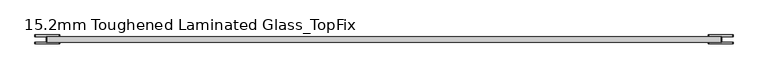
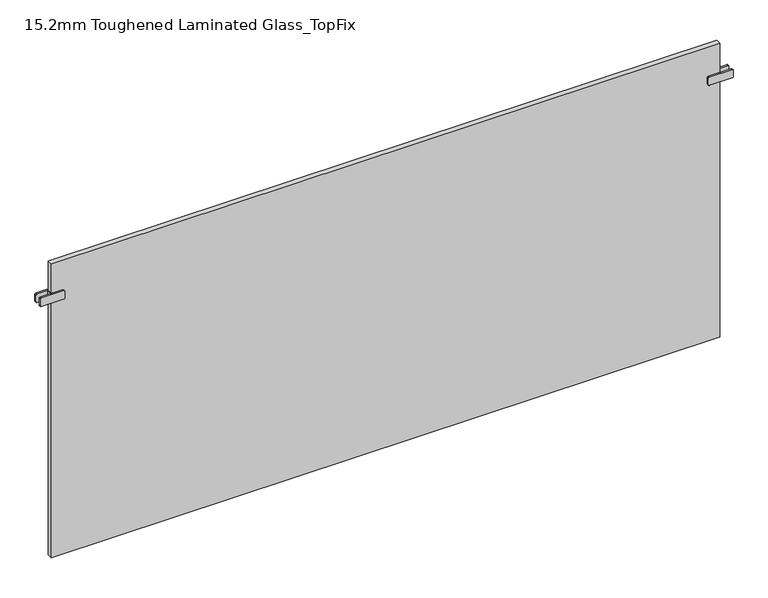
"""IFC4 building model written with IfcOpenShell, lengths in millimetres: plate geometry, 15.2mm Toughened Laminated Glass_TopFix."""

from ifc_helpers import new_model, si_unit, point, frame, frame_2d, origin, origin_with_axes, place, context, project, spatial, polyline, circle_curve, trimmed, segment, composite_curve, outline, extrude, source, transform, mapped, element, save


def plate_15_2mm_toughened_laminated_glass_topfix_d5ee4749(model_context):
    return source(origin(), model_context, "Body", "SweptSolid", [
        extrude(outline(polyline([(-947.5000001, -7.6), (-947.5000001, 7.6), (-942.5000001, 7.6), (-942.5000001, -7.6), (-947.5000001, -7.6)])), frame((0.0, 0.0, 766.5), z_axis=(0.0, 0.0, 1.0), x_axis=(1.0, 0.0, 0.0)), (0.0, 0.0, 1.0), 25.0),
        extrude(outline(composite_curve([segment(trimmed(circle_curve(frame_2d((769.5, -913.0000001)), 3.0), [point((766.5, -913.0000001))], [point((769.5, -910.0000001))], False, "CARTESIAN"), True, "CONTINUOUS"), segment(polyline([(769.5, -910.0000001), (788.5, -910.0000001)]), True, "CONTINUOUS"), segment(trimmed(circle_curve(frame_2d((788.5, -913.0000001)), 3.0), [point((788.5, -910.0000001))], [point((791.5, -913.0000001))], False, "CARTESIAN"), True, "CONTINUOUS"), segment(polyline([(791.5, -913.0000001), (791.5, -977.0000001)]), True, "CONTINUOUS"), segment(trimmed(circle_curve(frame_2d((788.5, -977.0000001)), 3.0), [point((791.5, -977.0000001))], [point((788.5, -980.0000001))], False, "CARTESIAN"), True, "CONTINUOUS"), segment(polyline([(788.5, -980.0000001), (769.5, -980.0000001)]), True, "CONTINUOUS"), segment(trimmed(circle_curve(frame_2d((769.5, -977.0000001)), 3.0), [point((769.5, -980.0000001))], [point((766.5, -977.0000001))], False, "CARTESIAN"), True, "CONTINUOUS"), segment(polyline([(766.5, -977.0000001), (766.5, -913.0000001)]), True, "CONTINUOUS")], self_intersect=False)), frame((0.0, 7.6, 0.0), z_axis=(0.0, 1.0, 0.0), x_axis=(0.0, 0.0, 1.0)), (0.0, 0.0, 1.0), 5.0),
        extrude(outline(composite_curve([segment(trimmed(circle_curve(frame_2d((769.5, -913.0000001)), 3.0), [point((766.5, -913.0000001))], [point((769.5, -910.0000001))], False, "CARTESIAN"), True, "CONTINUOUS"), segment(polyline([(769.5, -910.0000001), (788.5, -910.0000001)]), True, "CONTINUOUS"), segment(trimmed(circle_curve(frame_2d((788.5, -913.0000001)), 3.0), [point((788.5, -910.0000001))], [point((791.5, -913.0000001))], False, "CARTESIAN"), True, "CONTINUOUS"), segment(polyline([(791.5, -913.0000001), (791.5, -977.0000001)]), True, "CONTINUOUS"), segment(trimmed(circle_curve(frame_2d((788.5, -977.0000001)), 3.0), [point((791.5, -977.0000001))], [point((788.5, -980.0000001))], False, "CARTESIAN"), True, "CONTINUOUS"), segment(polyline([(788.5, -980.0000001), (769.5, -980.0000001)]), True, "CONTINUOUS"), segment(trimmed(circle_curve(frame_2d((769.5, -977.0000001)), 3.0), [point((769.5, -980.0000001))], [point((766.5, -977.0000001))], False, "CARTESIAN"), True, "CONTINUOUS"), segment(polyline([(766.5, -977.0000001), (766.5, -913.0000001)]), True, "CONTINUOUS")], self_intersect=False)), frame((0.0, -12.6, 0.0), z_axis=(0.0, 1.0, 0.0), x_axis=(0.0, 0.0, 1.0)), (0.0, 0.0, 1.0), 5.0),
        extrude(outline(polyline([(947.5000001, -7.6), (942.5000001, -7.6), (942.5000001, 7.6), (947.5000001, 7.6), (947.5000001, -7.6)])), frame((0.0, 0.0, 766.5), z_axis=(0.0, 0.0, 1.0), x_axis=(1.0, 0.0, 0.0)), (0.0, 0.0, 1.0), 25.0),
        extrude(outline(composite_curve([segment(polyline([(766.5, 913.0000001), (766.5, 977.0000001)]), True, "CONTINUOUS"), segment(trimmed(circle_curve(frame_2d((769.5, 977.0000001)), 3.0), [point((766.5, 977.0000001))], [point((769.5, 980.0000001))], False, "CARTESIAN"), True, "CONTINUOUS"), segment(polyline([(769.5, 980.0000001), (788.5, 980.0000001)]), True, "CONTINUOUS"), segment(trimmed(circle_curve(frame_2d((788.5, 977.0000001)), 3.0), [point((788.5, 980.0000001))], [point((791.5, 977.0000001))], False, "CARTESIAN"), True, "CONTINUOUS"), segment(polyline([(791.5, 977.0000001), (791.5, 913.0000001)]), True, "CONTINUOUS"), segment(trimmed(circle_curve(frame_2d((788.5, 913.0000001)), 3.0), [point((791.5, 913.0000001))], [point((788.5, 910.0000001))], False, "CARTESIAN"), True, "CONTINUOUS"), segment(polyline([(788.5, 910.0000001), (769.5, 910.0000001)]), True, "CONTINUOUS"), segment(trimmed(circle_curve(frame_2d((769.5, 913.0000001)), 3.0), [point((769.5, 910.0000001))], [point((766.5, 913.0000001))], False, "CARTESIAN"), True, "CONTINUOUS")], self_intersect=False)), frame((0.0, 7.6, 0.0), z_axis=(0.0, 1.0, 0.0), x_axis=(0.0, 0.0, 1.0)), (0.0, 0.0, 1.0), 5.0),
        extrude(outline(composite_curve([segment(polyline([(766.5, 913.0000001), (766.5, 977.0000001)]), True, "CONTINUOUS"), segment(trimmed(circle_curve(frame_2d((769.5, 977.0000001)), 3.0), [point((766.5, 977.0000001))], [point((769.5, 980.0000001))], False, "CARTESIAN"), True, "CONTINUOUS"), segment(polyline([(769.5, 980.0000001), (788.5, 980.0000001)]), True, "CONTINUOUS"), segment(trimmed(circle_curve(frame_2d((788.5, 977.0000001)), 3.0), [point((788.5, 980.0000001))], [point((791.5, 977.0000001))], False, "CARTESIAN"), True, "CONTINUOUS"), segment(polyline([(791.5, 977.0000001), (791.5, 913.0000001)]), True, "CONTINUOUS"), segment(trimmed(circle_curve(frame_2d((788.5, 913.0000001)), 3.0), [point((791.5, 913.0000001))], [point((788.5, 910.0000001))], False, "CARTESIAN"), True, "CONTINUOUS"), segment(polyline([(788.5, 910.0000001), (769.5, 910.0000001)]), True, "CONTINUOUS"), segment(trimmed(circle_curve(frame_2d((769.5, 913.0000001)), 3.0), [point((769.5, 910.0000001))], [point((766.5, 913.0000001))], False, "CARTESIAN"), True, "CONTINUOUS")], self_intersect=False)), frame((0.0, -12.6, 0.0), z_axis=(0.0, 1.0, 0.0), x_axis=(0.0, 0.0, 1.0)), (0.0, 0.0, 1.0), 5.0),
        extrude(outline(polyline([(945.0000001, 7.6), (945.0000001, -7.6), (-945.0000001, -7.6), (-945.0000001, 7.6), (945.0000001, 7.6)])), origin_with_axes(), (0.0, 0.0, 1.0), 879.0),
    ])


if __name__ == "__main__":
    model = new_model("IFC4")
    model_context = context("Model", 3, world=origin())
    ifc_project = project(units=[si_unit("LENGTHUNIT", "METRE", prefix="MILLI")], contexts=[model_context])
    site = spatial("IfcSite", under=ifc_project)
    building = spatial("IfcBuilding", under=site)
    placement = place(None, origin())
    plate_15_2mm_toughened_laminated_glass_topfix_shape = plate_15_2mm_toughened_laminated_glass_topfix_d5ee4749(model_context)
    element("IfcPlate", 1, ObjectType="15.2mm Toughened Laminated Glass_TopFix", at=placement, inside=building, context=model_context, shape_type="MappedRepresentation", body=[
        mapped(plate_15_2mm_toughened_laminated_glass_topfix_shape, transform((0.0, 0.0, 0.0), x_axis=(1.0, 0.0, 0.0), y_axis=(0.0, 1.0, 0.0), z_axis=(0.0, 0.0, 1.0))),
    ])
    save(model, "model.ifc")
